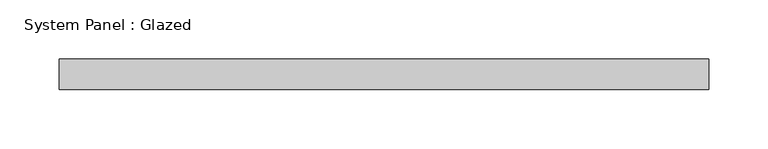
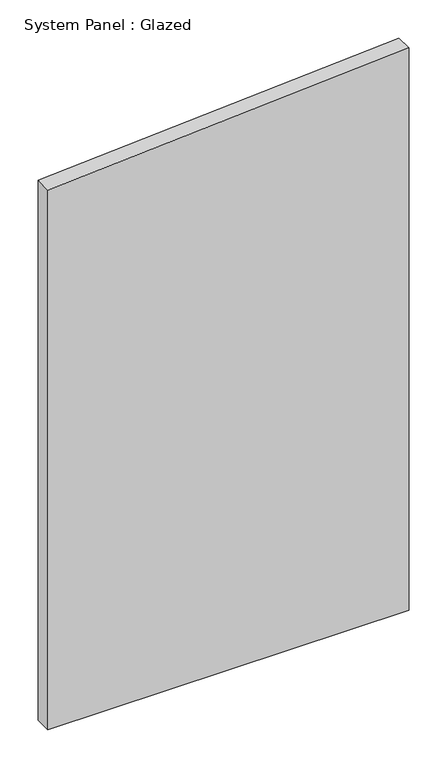
"""IFC4 building model written with IfcOpenShell, lengths in millimetres: plate geometry, System Panel : Glazed."""

from ifc_helpers import new_model, si_unit, frame, origin, place, context, project, spatial, polyline, outline, extrude, source, transform, mapped, element, save


def system_panel_glazed_9e2bc59a(model_context):
    return source(origin(), model_context, "Body", "SweptSolid", [
        extrude(outline(polyline([(0.0, -273.05), (0.0, 273.05), (899.1491897, 273.05), (863.0138777, -273.05), (0.0, -273.05)])), frame((0.0, 19.05, 0.0), z_axis=(0.0, 1.0, 0.0), x_axis=(0.0, 0.0, 1.0)), (0.0, 0.0, 1.0), 25.4),
    ])


if __name__ == "__main__":
    model = new_model("IFC4")
    model_context = context("Model", 3, world=origin())
    ifc_project = project(units=[si_unit("LENGTHUNIT", "METRE", prefix="MILLI")], contexts=[model_context])
    site = spatial("IfcSite", under=ifc_project)
    building = spatial("IfcBuilding", under=site)
    placement = place(None, origin())
    system_panel_glazed_shape = system_panel_glazed_9e2bc59a(model_context)
    element("IfcPlate", 1, ObjectType="System Panel : Glazed", at=placement, inside=building, context=model_context, shape_type="MappedRepresentation", body=[
        mapped(system_panel_glazed_shape, transform((0.0, 0.0, 0.0), x_axis=(1.0, 0.0, 0.0), y_axis=(0.0, 1.0, 0.0), z_axis=(0.0, 0.0, 1.0))),
    ])
    save(model, "model.ifc")
